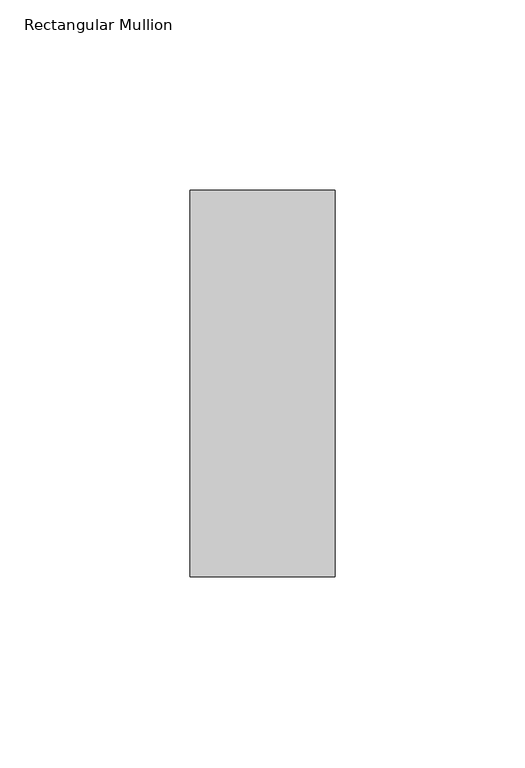
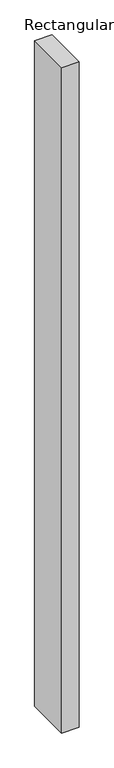
"""IFC4 building model written with IfcOpenShell, lengths in millimetres: member geometry, Rectangular Mullion."""

from ifc_helpers import new_model, si_unit, frame, origin, place, context, project, spatial, polyline, outline, extrude, source, transform, mapped, element, save


def rectangular_mullion_e5f1d055(model_context):
    return source(origin(), model_context, "Body", "SweptSolid", [
        extrude(outline(polyline([(-38.1118723, -50.8), (-38.1118723, 50.8), (0.0, 50.8), (0.0, -50.8), (-38.1118723, -50.8)])), frame((0.0, 0.0, -1529.5626), z_axis=(0.0, 0.0, 1.0), x_axis=(1.0, 0.0, 0.0)), (0.0, 0.0, 1.0), 1529.5626),
    ])


if __name__ == "__main__":
    model = new_model("IFC4")
    model_context = context("Model", 3, world=origin())
    ifc_project = project(units=[si_unit("LENGTHUNIT", "METRE", prefix="MILLI")], contexts=[model_context])
    site = spatial("IfcSite", under=ifc_project)
    building = spatial("IfcBuilding", under=site)
    placement = place(None, origin())
    rectangular_mullion_shape = rectangular_mullion_e5f1d055(model_context)
    element("IfcMember", 1, ObjectType="Rectangular Mullion", at=placement, inside=building, context=model_context, shape_type="MappedRepresentation", body=[
        mapped(rectangular_mullion_shape, transform((0.0, 0.0, 0.0), x_axis=(1.0, 0.0, 0.0), y_axis=(0.0, 1.0, 0.0), z_axis=(0.0, 0.0, 1.0))),
    ])
    save(model, "model.ifc")
